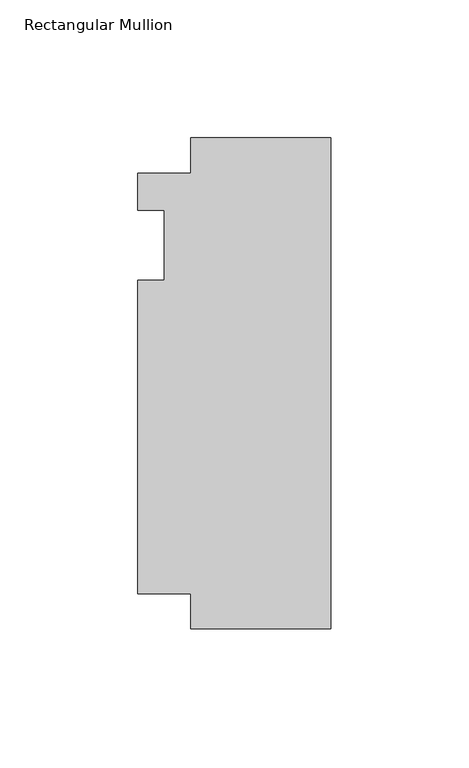
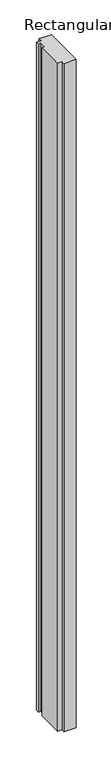
"""IFC4 building model written with IfcOpenShell, lengths in millimetres: member geometry, Rectangular Mullion."""

from ifc_helpers import new_model, si_unit, frame, origin, place, context, project, spatial, polyline, outline, extrude, source, transform, mapped, element, save


def rectangular_mullion_50172fc0(model_context):
    return source(origin(), model_context, "Body", "SweptSolid", [
        extrude(outline(polyline([(-69.85, 26.19375), (-50.8, 26.19375), (-50.8, 38.8943162), (0.0, 38.8943162), (0.0, -138.9068162), (-50.8, -138.9068162), (-50.8, -126.20625), (-69.85, -126.20625), (-69.85, -12.7), (-60.325, -12.7), (-60.325, 12.7), (-69.85, 12.7), (-69.85, 26.19375)])), frame((0.0, 0.0, -2933.7), z_axis=(0.0, 0.0, 1.0), x_axis=(1.0, 0.0, 0.0)), (0.0, 0.0, 1.0), 2933.7),
    ])


if __name__ == "__main__":
    model = new_model("IFC4")
    model_context = context("Model", 3, world=origin())
    ifc_project = project(units=[si_unit("LENGTHUNIT", "METRE", prefix="MILLI")], contexts=[model_context])
    site = spatial("IfcSite", under=ifc_project)
    building = spatial("IfcBuilding", under=site)
    placement = place(None, origin())
    rectangular_mullion_shape = rectangular_mullion_50172fc0(model_context)
    element("IfcMember", 1, ObjectType="Rectangular Mullion", at=placement, inside=building, context=model_context, shape_type="MappedRepresentation", body=[
        mapped(rectangular_mullion_shape, transform((0.0, 0.0, 0.0), x_axis=(1.0, 0.0, 0.0), y_axis=(0.0, 1.0, 0.0), z_axis=(0.0, 0.0, 1.0))),
    ])
    save(model, "model.ifc")
